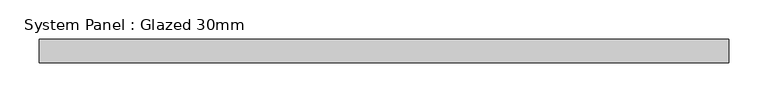
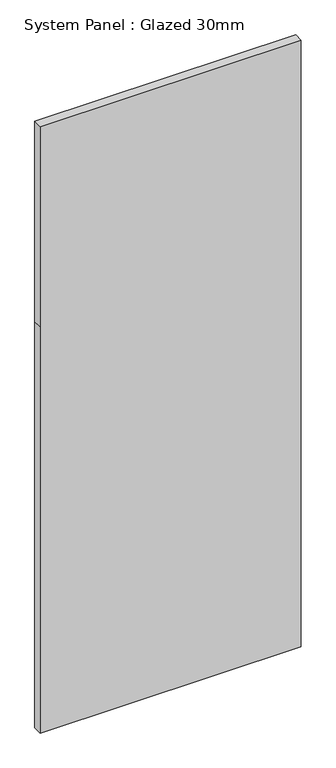
"""IFC4 building model written with IfcOpenShell, lengths in millimetres: plate geometry, System Panel : Glazed 30mm."""

from ifc_helpers import new_model, si_unit, frame, origin, place, context, project, spatial, polyline, outline, extrude, source, transform, mapped, element, save


def system_panel_glazed_30mm_7aedeb7b(model_context):
    return source(origin(), model_context, "Body", "SweptSolid", [
        extrude(outline(polyline([(0.0, -437.8424757), (0.0, 437.8424757), (1440.5191706, 437.8424757), (2149.9980934, 437.8424757), (2149.9980934, -437.8424757), (1440.5191706, -437.8424757), (0.0, -437.8424757)])), frame((0.0, -15.0, 0.0), z_axis=(0.0, 1.0, 0.0), x_axis=(0.0, 0.0, 1.0)), (0.0, 0.0, 1.0), 30.0),
    ])


if __name__ == "__main__":
    model = new_model("IFC4")
    model_context = context("Model", 3, world=origin())
    ifc_project = project(units=[si_unit("LENGTHUNIT", "METRE", prefix="MILLI")], contexts=[model_context])
    site = spatial("IfcSite", under=ifc_project)
    building = spatial("IfcBuilding", under=site)
    placement = place(None, origin())
    system_panel_glazed_30mm_shape = system_panel_glazed_30mm_7aedeb7b(model_context)
    element("IfcPlate", 1, ObjectType="System Panel : Glazed 30mm", at=placement, inside=building, context=model_context, shape_type="MappedRepresentation", body=[
        mapped(system_panel_glazed_30mm_shape, transform((0.0, 0.0, 0.0), x_axis=(1.0, 0.0, 0.0), y_axis=(0.0, 1.0, 0.0), z_axis=(0.0, 0.0, 1.0))),
    ])
    save(model, "model.ifc")
